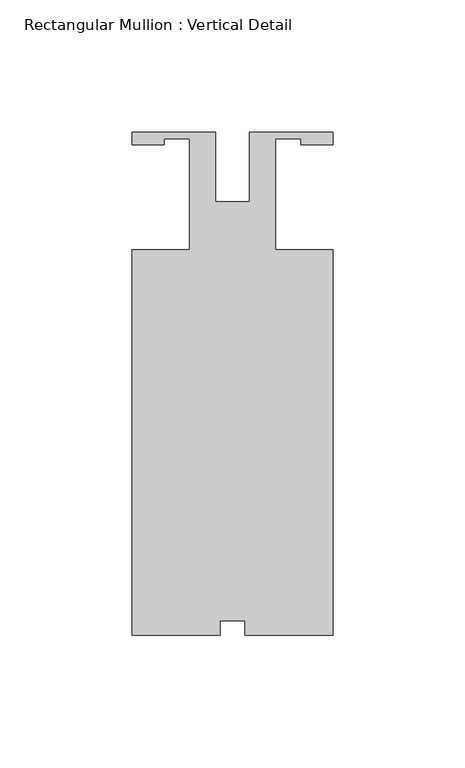
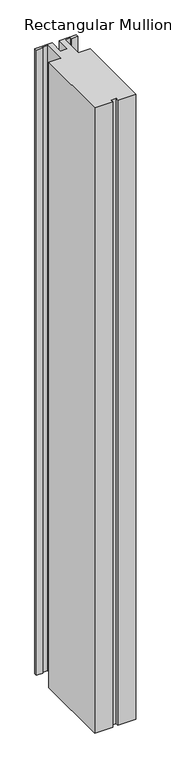
"""IFC4 building model written with IfcOpenShell, lengths in millimetres: member geometry, Rectangular Mullion : Vertical Detail."""

from ifc_helpers import new_model, si_unit, frame, origin, place, context, project, spatial, polyline, outline, extrude, source, transform, mapped, element, save


def rectangular_mullion_vertical_detail_ec006c69(model_context):
    return source(origin(), model_context, "Body", "SweptSolid", [
        extrude(outline(polyline([(-38.1, -19.05), (-16.2306, -19.05), (-16.2306, 22.86), (-26.0096, 22.86), (-26.0096, 20.5232), (-38.1, 20.5232), (-38.1, 25.4), (-6.35, 25.4), (-6.35, -1.016), (6.35, -1.016), (6.35, 25.4), (38.1, 25.4), (38.1, 20.5232), (26.0096, 20.5232), (26.0096, 22.86), (16.2306, 22.86), (16.2306, -19.05), (38.1, -19.05), (38.1, -165.1), (4.7752, -165.1), (4.7752, -159.5882), (-4.7498, -159.5882), (-4.7498, -165.1), (-38.1, -165.1), (-38.1, -19.05)])), frame((0.0, 0.0, -1219.2), z_axis=(0.0, 0.0, 1.0), x_axis=(1.0, 0.0, 0.0)), (0.0, 0.0, 1.0), 1219.2),
    ])


if __name__ == "__main__":
    model = new_model("IFC4")
    model_context = context("Model", 3, world=origin())
    ifc_project = project(units=[si_unit("LENGTHUNIT", "METRE", prefix="MILLI")], contexts=[model_context])
    site = spatial("IfcSite", under=ifc_project)
    building = spatial("IfcBuilding", under=site)
    placement = place(None, origin())
    rectangular_mullion_vertical_detail_shape = rectangular_mullion_vertical_detail_ec006c69(model_context)
    element("IfcMember", 1, ObjectType="Rectangular Mullion : Vertical Detail", at=placement, inside=building, context=model_context, shape_type="MappedRepresentation", body=[
        mapped(rectangular_mullion_vertical_detail_shape, transform((0.0, 0.0, 0.0), x_axis=(1.0, 0.0, 0.0), y_axis=(0.0, 1.0, 0.0), z_axis=(0.0, 0.0, 1.0))),
    ])
    save(model, "model.ifc")
